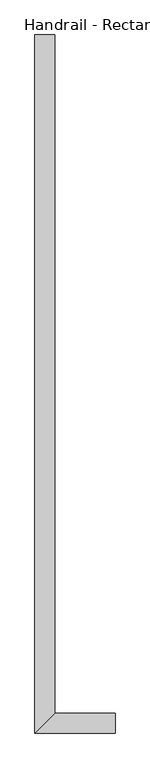
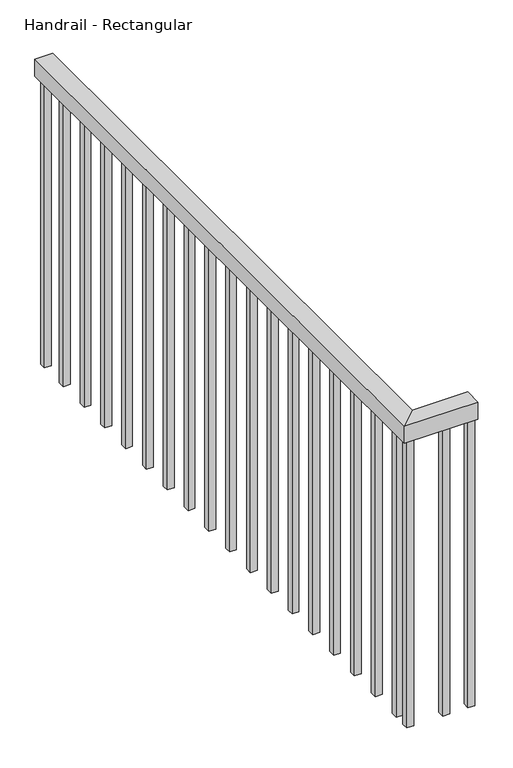
"""IFC4 building model written with IfcOpenShell, lengths in millimetres: railing geometry, Handrail - Rectangular."""

from ifc_helpers import new_model, si_unit, frame, origin, place, context, project, spatial, polyline, outline, extrude, faceted_brep, source, transform, mapped, element, save


def handrail_rectangular_a2dea65b(model_context):
    return source(origin(), model_context, "Body", "SolidModel", [
        faceted_brep([(2567.4034014, 3422.4830185, 1064.4), (2567.4034014, 3422.4830185, 1013.6), (2516.6034014, 3422.4830185, 1013.6), (2516.6034014, 3422.4830185, 1064.4), (2516.6034014, 1617.2058469, 1064.4), (2567.4034014, 1668.0058469, 1064.4), (2516.6034014, 1617.2058469, 1013.6), (2567.4034014, 1668.0058469, 1013.6), (2723.7534014, 1668.0058469, 1064.4), (2723.7534014, 1617.2058469, 1064.4), (2723.7534014, 1617.2058469, 1013.6), (2723.7534014, 1668.0058469, 1013.6)], [[[0, 1, 2, 3]], [[0, 3, 4, 5]], [[3, 2, 6, 4]], [[2, 1, 7, 6]], [[1, 0, 5, 7]], [[8, 9, 10, 11]], [[7, 5, 8, 11]], [[6, 7, 11, 10]], [[4, 6, 10, 9]], [[5, 4, 9, 8]]]),
        extrude(outline(polyline([(2634.0784014, 1652.1308469), (2653.1284014, 1652.1308469), (2653.1284014, 1633.0808469), (2634.0784014, 1633.0808469), (2634.0784014, 1652.1308469)])), frame((0.0, 0.0, 150.0), z_axis=(0.0, 0.0, 1.0), x_axis=(1.0, 0.0, 0.0)), (0.0, 0.0, 1.0), 863.6),
        extrude(outline(polyline([(2551.5284014, 1704.8080185), (2551.5284014, 1685.7580185), (2532.4784014, 1685.7580185), (2532.4784014, 1704.8080185), (2551.5284014, 1704.8080185)])), frame((0.0, 0.0, 150.0), z_axis=(0.0, 0.0, 1.0), x_axis=(1.0, 0.0, 0.0)), (0.0, 0.0, 1.0), 863.6),
        extrude(outline(polyline([(2551.5284014, 1806.4080185), (2551.5284014, 1787.3580185), (2532.4784014, 1787.3580185), (2532.4784014, 1806.4080185), (2551.5284014, 1806.4080185)])), frame((0.0, 0.0, 150.0), z_axis=(0.0, 0.0, 1.0), x_axis=(1.0, 0.0, 0.0)), (0.0, 0.0, 1.0), 863.6),
        extrude(outline(polyline([(2551.5284014, 1908.0080185), (2551.5284014, 1888.9580185), (2532.4784014, 1888.9580185), (2532.4784014, 1908.0080185), (2551.5284014, 1908.0080185)])), frame((0.0, 0.0, 150.0), z_axis=(0.0, 0.0, 1.0), x_axis=(1.0, 0.0, 0.0)), (0.0, 0.0, 1.0), 863.6),
        extrude(outline(polyline([(2551.5284014, 2009.6080185), (2551.5284014, 1990.5580185), (2532.4784014, 1990.5580185), (2532.4784014, 2009.6080185), (2551.5284014, 2009.6080185)])), frame((0.0, 0.0, 150.0), z_axis=(0.0, 0.0, 1.0), x_axis=(1.0, 0.0, 0.0)), (0.0, 0.0, 1.0), 863.6),
        extrude(outline(polyline([(2551.5284014, 2111.2080185), (2551.5284014, 2092.1580185), (2532.4784014, 2092.1580185), (2532.4784014, 2111.2080185), (2551.5284014, 2111.2080185)])), frame((0.0, 0.0, 150.0), z_axis=(0.0, 0.0, 1.0), x_axis=(1.0, 0.0, 0.0)), (0.0, 0.0, 1.0), 863.6),
        extrude(outline(polyline([(2551.5284014, 2212.8080185), (2551.5284014, 2193.7580185), (2532.4784014, 2193.7580185), (2532.4784014, 2212.8080185), (2551.5284014, 2212.8080185)])), frame((0.0, 0.0, 150.0), z_axis=(0.0, 0.0, 1.0), x_axis=(1.0, 0.0, 0.0)), (0.0, 0.0, 1.0), 863.6),
        extrude(outline(polyline([(2551.5284014, 2314.4080185), (2551.5284014, 2295.3580185), (2532.4784014, 2295.3580185), (2532.4784014, 2314.4080185), (2551.5284014, 2314.4080185)])), frame((0.0, 0.0, 150.0), z_axis=(0.0, 0.0, 1.0), x_axis=(1.0, 0.0, 0.0)), (0.0, 0.0, 1.0), 863.6),
        extrude(outline(polyline([(2551.5284014, 2416.0080185), (2551.5284014, 2396.9580185), (2532.4784014, 2396.9580185), (2532.4784014, 2416.0080185), (2551.5284014, 2416.0080185)])), frame((0.0, 0.0, 150.0), z_axis=(0.0, 0.0, 1.0), x_axis=(1.0, 0.0, 0.0)), (0.0, 0.0, 1.0), 863.6),
        extrude(outline(polyline([(2551.5284014, 2517.6080185), (2551.5284014, 2498.5580185), (2532.4784014, 2498.5580185), (2532.4784014, 2517.6080185), (2551.5284014, 2517.6080185)])), frame((0.0, 0.0, 150.0), z_axis=(0.0, 0.0, 1.0), x_axis=(1.0, 0.0, 0.0)), (0.0, 0.0, 1.0), 863.6),
        extrude(outline(polyline([(2551.5284014, 2619.2080185), (2551.5284014, 2600.1580185), (2532.4784014, 2600.1580185), (2532.4784014, 2619.2080185), (2551.5284014, 2619.2080185)])), frame((0.0, 0.0, 150.0), z_axis=(0.0, 0.0, 1.0), x_axis=(1.0, 0.0, 0.0)), (0.0, 0.0, 1.0), 863.6),
        extrude(outline(polyline([(2551.5284014, 2720.8080185), (2551.5284014, 2701.7580185), (2532.4784014, 2701.7580185), (2532.4784014, 2720.8080185), (2551.5284014, 2720.8080185)])), frame((0.0, 0.0, 150.0), z_axis=(0.0, 0.0, 1.0), x_axis=(1.0, 0.0, 0.0)), (0.0, 0.0, 1.0), 863.6),
        extrude(outline(polyline([(2551.5284014, 2822.4080185), (2551.5284014, 2803.3580185), (2532.4784014, 2803.3580185), (2532.4784014, 2822.4080185), (2551.5284014, 2822.4080185)])), frame((0.0, 0.0, 150.0), z_axis=(0.0, 0.0, 1.0), x_axis=(1.0, 0.0, 0.0)), (0.0, 0.0, 1.0), 863.6),
        extrude(outline(polyline([(2551.5284014, 2924.0080185), (2551.5284014, 2904.9580185), (2532.4784014, 2904.9580185), (2532.4784014, 2924.0080185), (2551.5284014, 2924.0080185)])), frame((0.0, 0.0, 150.0), z_axis=(0.0, 0.0, 1.0), x_axis=(1.0, 0.0, 0.0)), (0.0, 0.0, 1.0), 863.6),
        extrude(outline(polyline([(2551.5284014, 3025.6080185), (2551.5284014, 3006.5580185), (2532.4784014, 3006.5580185), (2532.4784014, 3025.6080185), (2551.5284014, 3025.6080185)])), frame((0.0, 0.0, 150.0), z_axis=(0.0, 0.0, 1.0), x_axis=(1.0, 0.0, 0.0)), (0.0, 0.0, 1.0), 863.6),
        extrude(outline(polyline([(2551.5284014, 3127.2080185), (2551.5284014, 3108.1580185), (2532.4784014, 3108.1580185), (2532.4784014, 3127.2080185), (2551.5284014, 3127.2080185)])), frame((0.0, 0.0, 150.0), z_axis=(0.0, 0.0, 1.0), x_axis=(1.0, 0.0, 0.0)), (0.0, 0.0, 1.0), 863.6),
        extrude(outline(polyline([(2551.5284014, 3228.8080185), (2551.5284014, 3209.7580185), (2532.4784014, 3209.7580185), (2532.4784014, 3228.8080185), (2551.5284014, 3228.8080185)])), frame((0.0, 0.0, 150.0), z_axis=(0.0, 0.0, 1.0), x_axis=(1.0, 0.0, 0.0)), (0.0, 0.0, 1.0), 863.6),
        extrude(outline(polyline([(2551.5284014, 3330.4080185), (2551.5284014, 3311.3580185), (2532.4784014, 3311.3580185), (2532.4784014, 3330.4080185), (2551.5284014, 3330.4080185)])), frame((0.0, 0.0, 150.0), z_axis=(0.0, 0.0, 1.0), x_axis=(1.0, 0.0, 0.0)), (0.0, 0.0, 1.0), 863.6),
        extrude(outline(polyline([(2551.5284014, 1652.1308469), (2551.5284014, 1633.0808469), (2532.4784014, 1633.0808469), (2532.4784014, 1652.1308469), (2551.5284014, 1652.1308469)])), frame((0.0, 0.0, 150.0), z_axis=(0.0, 0.0, 1.0), x_axis=(1.0, 0.0, 0.0)), (0.0, 0.0, 1.0), 863.6),
        extrude(outline(polyline([(2704.7034014, 1652.1308469), (2723.7534014, 1652.1308469), (2723.7534014, 1633.0808469), (2704.7034014, 1633.0808469), (2704.7034014, 1652.1308469)])), frame((0.0, 0.0, 150.0), z_axis=(0.0, 0.0, 1.0), x_axis=(1.0, 0.0, 0.0)), (0.0, 0.0, 1.0), 863.6),
        extrude(outline(polyline([(2551.5284014, 3422.4830185), (2551.5284014, 3403.4330185), (2532.4784014, 3403.4330185), (2532.4784014, 3422.4830185), (2551.5284014, 3422.4830185)])), frame((0.0, 0.0, 150.0), z_axis=(0.0, 0.0, 1.0), x_axis=(1.0, 0.0, 0.0)), (0.0, 0.0, 1.0), 863.6),
    ])


if __name__ == "__main__":
    model = new_model("IFC4")
    model_context = context("Model", 3, world=origin())
    ifc_project = project(units=[si_unit("LENGTHUNIT", "METRE", prefix="MILLI")], contexts=[model_context])
    site = spatial("IfcSite", under=ifc_project)
    building = spatial("IfcBuilding", under=site)
    placement = place(None, origin())
    handrail_rectangular_shape = handrail_rectangular_a2dea65b(model_context)
    element("IfcRailing", 1, ObjectType="Handrail - Rectangular", at=placement, inside=building, context=model_context, shape_type="MappedRepresentation", body=[
        mapped(handrail_rectangular_shape, transform((0.0, 0.0, 0.0), x_axis=(1.0, 0.0, 0.0), y_axis=(0.0, 1.0, 0.0), z_axis=(0.0, 0.0, 1.0))),
    ])
    save(model, "model.ifc")
